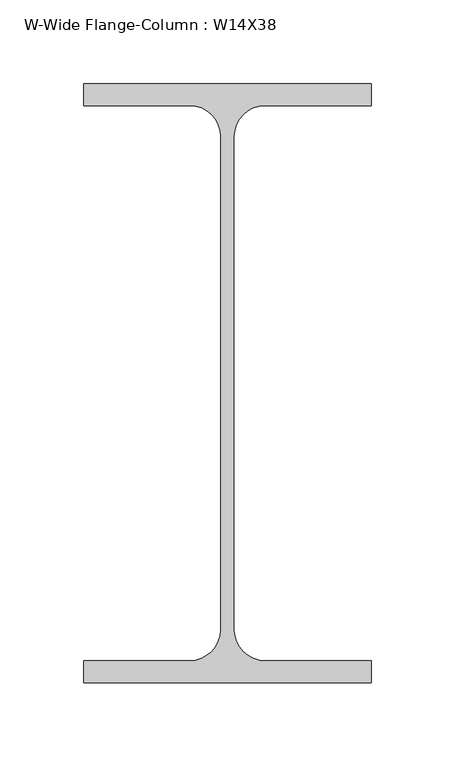
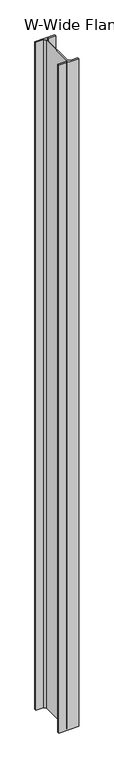
"""IFC4 building model written with IfcOpenShell, lengths in millimetres: column geometry, W-Wide Flange-Column : W14X38."""

from ifc_helpers import new_model, si_unit, point, frame_2d, origin, origin_with_axes, place, context, project, spatial, polyline, circle_curve, trimmed, segment, composite_curve, outline, extrude, source, transform, mapped, element, save


def w_wide_flange_column_w14x38_dfd1644d(model_context):
    return source(origin(), model_context, "Body", "SweptSolid", [
        extrude(outline(composite_curve([segment(polyline([(85.9730469, 179.0898438), (85.9730469, 165.9929688), (22.5722656, 165.9929688)]), True, "CONTINUOUS"), segment(trimmed(circle_curve(frame_2d((22.5722656, 147.3398438)), 18.653125), [point((22.5722656, 165.9929688))], [point((3.9191406, 147.3398437))], True, "CARTESIAN"), True, "CONTINUOUS"), segment(polyline([(3.9191406, 147.3398437), (3.9191406, -147.3398438)]), True, "CONTINUOUS"), segment(trimmed(circle_curve(frame_2d((22.5722656, -147.3398438)), 18.653125), [point((3.9191406, -147.3398438))], [point((22.5722656, -165.9929687))], True, "CARTESIAN"), True, "CONTINUOUS"), segment(polyline([(22.5722656, -165.9929687), (85.9730469, -165.9929687), (85.9730469, -179.0898438), (-85.9730469, -179.0898438), (-85.9730469, -165.9929687), (-22.5722656, -165.9929687)]), True, "CONTINUOUS"), segment(trimmed(circle_curve(frame_2d((-22.5722656, -147.3398438)), 18.653125), [point((-22.5722656, -165.9929687))], [point((-3.9191406, -147.3398437))], True, "CARTESIAN"), True, "CONTINUOUS"), segment(polyline([(-3.9191406, -147.3398437), (-3.9191406, 147.3398438)]), True, "CONTINUOUS"), segment(trimmed(circle_curve(frame_2d((-22.5722656, 147.3398438)), 18.653125), [point((-3.9191406, 147.3398438))], [point((-22.5722656, 165.9929688))], True, "CARTESIAN"), True, "CONTINUOUS"), segment(polyline([(-22.5722656, 165.9929688), (-85.9730469, 165.9929688), (-85.9730469, 179.0898438), (85.9730469, 179.0898438)]), True, "CONTINUOUS")], self_intersect=False)), origin_with_axes(), (0.0, 0.0, 1.0), 6096.0),
    ])


if __name__ == "__main__":
    model = new_model("IFC4")
    model_context = context("Model", 3, world=origin())
    ifc_project = project(units=[si_unit("LENGTHUNIT", "METRE", prefix="MILLI")], contexts=[model_context])
    site = spatial("IfcSite", under=ifc_project)
    building = spatial("IfcBuilding", under=site)
    placement = place(None, origin())
    w_wide_flange_column_w14x38_shape = w_wide_flange_column_w14x38_dfd1644d(model_context)
    element("IfcColumn", 1, ObjectType="W-Wide Flange-Column : W14X38", at=placement, inside=building, context=model_context, shape_type="MappedRepresentation", body=[
        mapped(w_wide_flange_column_w14x38_shape, transform((0.0, 0.0, 0.0), x_axis=(1.0, 0.0, 0.0), y_axis=(0.0, 1.0, 0.0), z_axis=(0.0, 0.0, 1.0))),
    ])
    save(model, "model.ifc")
